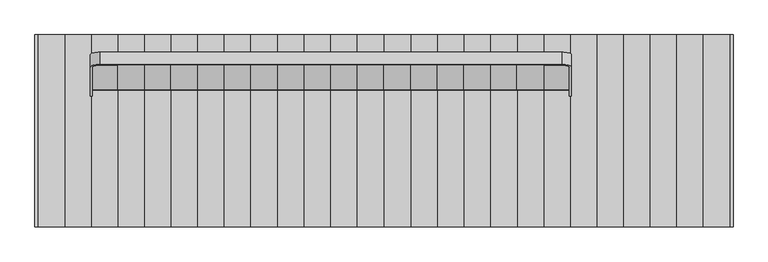
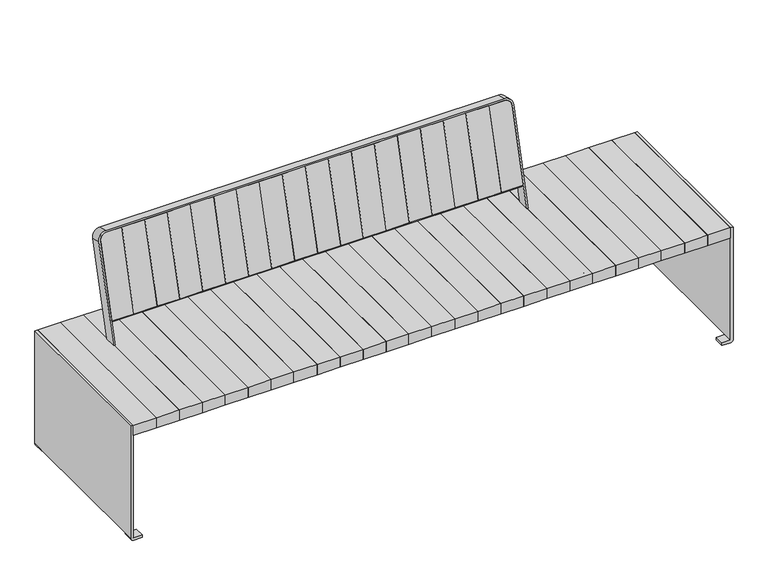
"""IFC4 building model written with IfcOpenShell, lengths in millimetres: furniture geometry."""

from ifc_helpers import new_model, si_unit, point, frame, frame_2d, origin, place, context, project, spatial, polyline, circle_curve, trimmed, segment, composite_curve, outline, extrude, source, transform, mapped, element, save
from ifc_brep_helpers import plane_surface, cylinder_surface, revolved_surface, advanced_brep


def furniture_99050796(model_context):
    return source(origin(), model_context, "Body", "SolidModel", [
        extrude(outline(polyline([(83.1700951, 300.0), (83.1700951, -300.0), (0.0, -300.0), (0.0, 300.0), (83.1700951, 300.0)])), frame((0.0, 0.0, 400.6382749), z_axis=(0.0, 0.0, 1.0), x_axis=(1.0, 0.0, 0.0)), (0.0, 0.0, 1.0), 39.120575),
        extrude(outline(polyline([(165.5884938, 300.0), (165.5884938, -300.0), (83.1700951, -300.0), (83.1700951, 300.0), (165.5884938, 300.0)])), frame((0.0, 0.0, 400.6382749), z_axis=(0.0, 0.0, 1.0), x_axis=(1.0, 0.0, 0.0)), (0.0, 0.0, 1.0), 39.120575),
        extrude(outline(polyline([(249.0266735, 300.0), (249.0266735, -300.0), (165.5884938, -300.0), (165.5884938, 300.0), (249.0266735, 300.0)])), frame((0.0, 0.0, 400.6382749), z_axis=(0.0, 0.0, 1.0), x_axis=(1.0, 0.0, 0.0)), (0.0, 0.0, 1.0), 39.120575),
        extrude(outline(polyline([(331.8102592, 300.0), (331.8102592, -300.0), (249.0266735, -300.0), (249.0266735, 300.0), (331.8102592, 300.0)])), frame((0.0, 0.0, 400.6382749), z_axis=(0.0, 0.0, 1.0), x_axis=(1.0, 0.0, 0.0)), (0.0, 0.0, 1.0), 39.120575),
        extrude(outline(polyline([(415.2051572, 300.0), (415.2051572, -300.0), (331.8102592, -300.0), (331.8102592, 300.0), (415.2051572, 300.0)])), frame((0.0, 0.0, 400.6382749), z_axis=(0.0, 0.0, 1.0), x_axis=(1.0, 0.0, 0.0)), (0.0, 0.0, 1.0), 39.120575),
        extrude(outline(polyline([(498.7851293, 300.0), (498.7851293, -300.0), (415.2051572, -300.0), (415.2051572, 300.0), (498.7851293, 300.0)])), frame((0.0, 0.0, 400.6382749), z_axis=(0.0, 0.0, 1.0), x_axis=(1.0, 0.0, 0.0)), (0.0, 0.0, 1.0), 39.120575),
        extrude(outline(polyline([(580.2051572, 300.0), (580.2051572, -300.0), (498.7851293, -300.0), (498.7851293, 300.0), (580.2051572, 300.0)])), frame((0.0, 0.0, 400.6382749), z_axis=(0.0, 0.0, 1.0), x_axis=(1.0, 0.0, 0.0)), (0.0, 0.0, 1.0), 39.120575),
        extrude(outline(polyline([(663.7851293, 300.0), (663.7851293, -300.0), (580.2051572, -300.0), (580.2051572, 300.0), (663.7851293, 300.0)])), frame((0.0, 0.0, 400.6382749), z_axis=(0.0, 0.0, 1.0), x_axis=(1.0, 0.0, 0.0)), (0.0, 0.0, 1.0), 39.120575),
        extrude(outline(polyline([(746.8041619, 300.0), (746.8041619, -300.0), (663.7851293, -300.0), (663.7851293, 300.0), (746.8041619, 300.0)])), frame((0.0, 0.0, 400.6382749), z_axis=(0.0, 0.0, 1.0), x_axis=(1.0, 0.0, 0.0)), (0.0, 0.0, 1.0), 39.120575),
        extrude(outline(polyline([(1078.85, 300.0), (1078.85, -300.0), (996.3916762, -300.0), (996.3916762, 300.0), (1078.85, 300.0)])), frame((0.0, 0.0, 400.6382749), z_axis=(0.0, 0.0, 1.0), x_axis=(1.0, 0.0, 0.0)), (0.0, 0.0, 1.0), 39.120575),
        extrude(outline(polyline([(996.3916762, 300.0), (996.3916762, -300.0), (913.1958381, -300.0), (913.1958381, 300.0), (996.3916762, 300.0)])), frame((0.0, 0.0, 400.6382749), z_axis=(0.0, 0.0, 1.0), x_axis=(1.0, 0.0, 0.0)), (0.0, 0.0, 1.0), 39.120575),
        extrude(outline(polyline([(913.1958381, 300.0), (913.1958381, -300.0), (830.0, -300.0), (830.0, 300.0), (913.1958381, 300.0)])), frame((0.0, 0.0, 400.6382749), z_axis=(0.0, 0.0, 1.0), x_axis=(1.0, 0.0, 0.0)), (0.0, 0.0, 1.0), 39.120575),
        extrude(outline(polyline([(830.0, 300.0), (830.0, -300.0), (746.8041619, -300.0), (746.8041619, 300.0), (830.0, 300.0)])), frame((0.0, 0.0, 400.6382749), z_axis=(0.0, 0.0, 1.0), x_axis=(1.0, 0.0, 0.0)), (0.0, 0.0, 1.0), 39.120575),
        extrude(outline(polyline([(-83.1700951, 300.0), (0.0, 300.0), (0.0, -300.0), (-83.1700951, -300.0), (-83.1700951, 300.0)])), frame((0.0, 0.0, 400.6382749), z_axis=(0.0, 0.0, 1.0), x_axis=(1.0, 0.0, 0.0)), (0.0, 0.0, 1.0), 39.120575),
        extrude(outline(polyline([(-165.5884938, 300.0), (-83.1700951, 300.0), (-83.1700951, -300.0), (-165.5884938, -300.0), (-165.5884938, 300.0)])), frame((0.0, 0.0, 400.6382749), z_axis=(0.0, 0.0, 1.0), x_axis=(1.0, 0.0, 0.0)), (0.0, 0.0, 1.0), 39.120575),
        extrude(outline(polyline([(-249.0266735, 300.0), (-165.5884938, 300.0), (-165.5884938, -300.0), (-249.0266735, -300.0), (-249.0266735, 300.0)])), frame((0.0, 0.0, 400.6382749), z_axis=(0.0, 0.0, 1.0), x_axis=(1.0, 0.0, 0.0)), (0.0, 0.0, 1.0), 39.120575),
        extrude(outline(polyline([(-331.8102592, 300.0), (-249.0266735, 300.0), (-249.0266735, -300.0), (-331.8102592, -300.0), (-331.8102592, 300.0)])), frame((0.0, 0.0, 400.6382749), z_axis=(0.0, 0.0, 1.0), x_axis=(1.0, 0.0, 0.0)), (0.0, 0.0, 1.0), 39.120575),
        extrude(outline(polyline([(-415.2051572, 300.0), (-331.8102592, 300.0), (-331.8102592, -300.0), (-415.2051572, -300.0), (-415.2051572, 300.0)])), frame((0.0, 0.0, 400.6382749), z_axis=(0.0, 0.0, 1.0), x_axis=(1.0, 0.0, 0.0)), (0.0, 0.0, 1.0), 39.120575),
        extrude(outline(polyline([(-498.7851293, 300.0), (-415.2051572, 300.0), (-415.2051572, -300.0), (-498.7851293, -300.0), (-498.7851293, 300.0)])), frame((0.0, 0.0, 400.6382749), z_axis=(0.0, 0.0, 1.0), x_axis=(1.0, 0.0, 0.0)), (0.0, 0.0, 1.0), 39.120575),
        extrude(outline(polyline([(-580.2051572, 300.0), (-498.7851293, 300.0), (-498.7851293, -300.0), (-580.2051572, -300.0), (-580.2051572, 300.0)])), frame((0.0, 0.0, 400.6382749), z_axis=(0.0, 0.0, 1.0), x_axis=(1.0, 0.0, 0.0)), (0.0, 0.0, 1.0), 39.120575),
        extrude(outline(polyline([(-663.7851293, 300.0), (-580.2051572, 300.0), (-580.2051572, -300.0), (-663.7851293, -300.0), (-663.7851293, 300.0)])), frame((0.0, 0.0, 400.6382749), z_axis=(0.0, 0.0, 1.0), x_axis=(1.0, 0.0, 0.0)), (0.0, 0.0, 1.0), 39.120575),
        extrude(outline(polyline([(-746.8041619, 300.0), (-663.7851293, 300.0), (-663.7851293, -300.0), (-746.8041619, -300.0), (-746.8041619, 300.0)])), frame((0.0, 0.0, 400.6382749), z_axis=(0.0, 0.0, 1.0), x_axis=(1.0, 0.0, 0.0)), (0.0, 0.0, 1.0), 39.120575),
        extrude(outline(polyline([(-1078.85, 300.0), (-996.3916762, 300.0), (-996.3916762, -300.0), (-1078.85, -300.0), (-1078.85, 300.0)])), frame((0.0, 0.0, 400.6382749), z_axis=(0.0, 0.0, 1.0), x_axis=(1.0, 0.0, 0.0)), (0.0, 0.0, 1.0), 39.120575),
        extrude(outline(polyline([(-996.3916762, 300.0), (-913.1958381, 300.0), (-913.1958381, -300.0), (-996.3916762, -300.0), (-996.3916762, 300.0)])), frame((0.0, 0.0, 400.6382749), z_axis=(0.0, 0.0, 1.0), x_axis=(1.0, 0.0, 0.0)), (0.0, 0.0, 1.0), 39.120575),
        extrude(outline(polyline([(-913.1958381, 300.0), (-830.0, 300.0), (-830.0, -300.0), (-913.1958381, -300.0), (-913.1958381, 300.0)])), frame((0.0, 0.0, 400.6382749), z_axis=(0.0, 0.0, 1.0), x_axis=(1.0, 0.0, 0.0)), (0.0, 0.0, 1.0), 39.120575),
        extrude(outline(polyline([(-830.0, 300.0), (-746.8041619, 300.0), (-746.8041619, -300.0), (-830.0, -300.0), (-830.0, 300.0)])), frame((0.0, 0.0, 400.6382749), z_axis=(0.0, 0.0, 1.0), x_axis=(1.0, 0.0, 0.0)), (0.0, 0.0, 1.0), 39.120575),
        extrude(outline(polyline([(0.0, -83.5799721), (0.0, 0.0), (39.1205751, 0.0), (39.1205751, -83.5799721), (0.0, -83.5799721)])), frame((414.2050695, 128.752528, 518.4817281), z_axis=(0.0, 0.25881904510252124, 0.9659258262890682), x_axis=(0.0, 0.9659258262890682, -0.25881904510252124)), (0.0, 0.0, 1.0), 296.0),
        extrude(outline(polyline([(0.0, -81.4200279), (0.0, 0.0), (39.1205751, 0.0), (39.1205751, -81.4200279), (0.0, -81.4200279)])), frame((332.7850416, 128.752528, 518.4817281), z_axis=(0.0, 0.25881904510252124, 0.9659258262890682), x_axis=(0.0, 0.9659258262890682, -0.25881904510252124)), (0.0, 0.0, 1.0), 296.0),
        extrude(outline(polyline([(0.0, -83.5799721), (0.0, 0.0), (39.1205751, 0.0), (39.1205751, -83.5799721), (0.0, -83.5799721)])), frame((249.2050695, 128.752528, 518.4817281), z_axis=(0.0, 0.25881904510252124, 0.9659258262890682), x_axis=(0.0, 0.9659258262890682, -0.25881904510252124)), (0.0, 0.0, 1.0), 296.0),
        extrude(outline(polyline([(0.0, -83.394898), (0.0, 0.0), (39.1205751, 0.0), (39.1205751, -83.394898), (0.0, -83.394898)])), frame((165.8101715, 128.752528, 518.4817281), z_axis=(0.0, 0.25881904510252124, 0.9659258262890682), x_axis=(0.0, 0.9659258262890682, -0.25881904510252124)), (0.0, 0.0, 1.0), 296.0),
        extrude(outline(polyline([(0.0, -82.7835857), (0.0, 0.0), (39.1205751, 0.0), (39.1205751, -82.7835857), (0.0, -82.7835857)])), frame((83.0265858, 128.752528, 518.4817281), z_axis=(0.0, 0.25881904510252124, 0.9659258262890682), x_axis=(0.0, 0.9659258262890682, -0.25881904510252124)), (0.0, 0.0, 1.0), 296.0),
        extrude(outline(polyline([(0.0, -83.4381797), (0.0, 0.0), (39.1205751, 0.0), (39.1205751, -83.4381797), (0.0, -83.4381797)])), frame((-0.4115939, 128.752528, 518.4817281), z_axis=(0.0, 0.25881904510252124, 0.9659258262890682), x_axis=(0.0, 0.9659258262890682, -0.25881904510252124)), (0.0, 0.0, 1.0), 296.0),
        extrude(outline(polyline([(0.0, -82.4183987), (0.0, 0.0), (39.1205751, 0.0), (39.1205751, -82.4183987), (0.0, -82.4183987)])), frame((-82.8299926, 128.752528, 518.4817281), z_axis=(0.0, 0.25881904510252124, 0.9659258262890682), x_axis=(0.0, 0.9659258262890682, -0.25881904510252124)), (0.0, 0.0, 1.0), 296.0),
        extrude(outline(polyline([(0.0, -83.1700951), (0.0, 0.0), (39.1205751, 0.0), (39.1205751, -83.1700951), (0.0, -83.1700951)])), frame((-166.0000877, 128.752528, 518.4817281), z_axis=(0.0, 0.25881904510252124, 0.9659258262890682), x_axis=(0.0, 0.9659258262890682, -0.25881904510252124)), (0.0, 0.0, 1.0), 296.0),
        extrude(outline(polyline([(0.0, -83.1700951), (0.0, 0.0), (39.1205751, 0.0), (39.1205751, -83.1700951), (0.0, -83.1700951)])), frame((-249.1701828, 128.752528, 518.4817281), z_axis=(0.0, 0.25881904510252124, 0.9659258262890682), x_axis=(0.0, 0.9659258262890682, -0.25881904510252124)), (0.0, 0.0, 1.0), 296.0),
        extrude(outline(polyline([(0.0, -82.4183987), (0.0, 0.0), (39.1205751, 0.0), (39.1205751, -82.4183987), (0.0, -82.4183987)])), frame((-331.5885815, 128.752528, 518.4817281), z_axis=(0.0, 0.25881904510252124, 0.9659258262890682), x_axis=(0.0, 0.9659258262890682, -0.25881904510252124)), (0.0, 0.0, 1.0), 296.0),
        extrude(outline(polyline([(0.0, -83.4381797), (0.0, 0.0), (39.1205751, 0.0), (39.1205751, -83.4381797), (0.0, -83.4381797)])), frame((-415.0267612, 128.752528, 518.4817281), z_axis=(0.0, 0.25881904510252124, 0.9659258262890682), x_axis=(0.0, 0.9659258262890682, -0.25881904510252124)), (0.0, 0.0, 1.0), 296.0),
        extrude(outline(polyline([(0.0, -82.7835857), (0.0, 0.0), (39.1205751, 0.0), (39.1205751, -82.7835857), (0.0, -82.7835857)])), frame((-497.8103469, 128.752528, 518.4817281), z_axis=(0.0, 0.25881904510252124, 0.9659258262890682), x_axis=(0.0, 0.9659258262890682, -0.25881904510252124)), (0.0, 0.0, 1.0), 296.0),
        extrude(outline(polyline([(0.0, -83.394898), (0.0, 0.0), (39.1205751, 0.0), (39.1205751, -83.394898), (0.0, -83.394898)])), frame((-581.2052449, 128.752528, 518.4817281), z_axis=(0.0, 0.25881904510252124, 0.9659258262890682), x_axis=(0.0, 0.9659258262890682, -0.25881904510252124)), (0.0, 0.0, 1.0), 296.0),
        extrude(outline(polyline([(0.0, -83.5799721), (0.0, 0.0), (39.1205751, 0.0), (39.1205751, -83.5799721), (0.0, -83.5799721)])), frame((-664.785217, 128.752528, 518.4817281), z_axis=(0.0, 0.2588190451025194, 0.9659258262890688), x_axis=(0.0, 0.9659258262890688, -0.2588190451025194)), (0.0, 0.0, 1.0), 296.0),
        extrude(outline(polyline([(0.0, -81.4200279), (0.0, 0.0), (39.1205751, 0.0), (39.1205751, -81.4200279), (0.0, -81.4200279)])), frame((-746.2052449, 128.752528, 518.4817281), z_axis=(0.0, 0.2588190451025194, 0.9659258262890688), x_axis=(0.0, 0.9659258262890688, -0.2588190451025194)), (0.0, 0.0, 1.0), 296.0),
        extrude(outline(polyline([(0.0, -83.5799721), (0.0, 0.0), (39.1205751, 0.0), (39.1205751, -83.5799721), (0.0, -83.5799721)])), frame((-829.785217, 128.752528, 518.4817281), z_axis=(0.0, 0.2588190451025194, 0.9659258262890688), x_axis=(0.0, 0.9659258262890688, -0.2588190451025194)), (0.0, 0.0, 1.0), 296.0),
        extrude(outline(composite_curve([segment(polyline([(0.9998586, 0.0), (0.9998586, -20.0)]), True, "CONTINUOUS"), segment(trimmed(circle_curve(frame_2d((-24.0001414, -20.0)), 25.0), [point((0.9998586, -20.0))], [point((-24.0001414, -45.0))], False, "CARTESIAN"), True, "CONTINUOUS"), segment(polyline([(-24.0001414, -45.0), (-1462.0, -45.0)]), True, "CONTINUOUS"), segment(trimmed(circle_curve(frame_2d((-1462.0, -20.0)), 25.0), [point((-1462.0, -45.0))], [point((-1487.0, -20.0))], False, "CARTESIAN"), True, "CONTINUOUS"), segment(polyline([(-1487.0, -20.0), (-1487.0, 0.0), (0.9998586, 0.0)]), True, "CONTINUOUS")], self_intersect=False)), frame((-909.0001584, 232.3531414, 750.5763487), z_axis=(0.0, -0.9659258262890719, 0.25881904510250753), x_axis=(-1.0, 0.0, 0.0)), (0.0, 0.0, 1.0), 3.0),
        advanced_brep(
        [(-910.000017, 107.0117282, 437.3439587), (-910.000017, 102.1820991, 433.6380539), (-910.000017, -235.5529159, 433.6380539), (-910.000017, -245.5529159, 423.6380539), (-910.000017, -245.5529159, 411.6380539), (-910.000017, -235.5529159, 401.6380539), (-910.000017, 119.6722324, 401.6380539), (-910.000017, 143.820378, 420.1675778), (-910.000017, 237.5295223, 769.8948652), (-910.000017, 198.8924892, 780.247627), (-916.000017, 143.820378, 420.1675778), (-916.000017, 119.6722324, 401.6380539), (-916.000017, -235.5529159, 401.6380539), (-916.000017, -245.5529159, 411.6380539), (-916.000017, -245.5529159, 423.6380539), (-916.000017, -235.5529159, 433.6380539), (-916.000017, 102.1820991, 433.6380539), (-916.000017, 107.0117282, 437.3439587), (-916.000017, 199.1513083, 781.2135528), (-916.000017, 237.7883413, 770.860791), (-885.000017, 205.3629654, 804.3957727), (552.9998416, 205.3629654, 804.3957727), (577.9998416, 198.8924892, 780.247627), (577.9998416, 107.0117282, 437.3439587), (583.9998416, 107.0117282, 437.3439587), (583.9998416, 199.1513083, 781.2135528), (553.9998416, 206.9158796, 810.1913276), (-886.000017, 206.9158796, 810.1913276), (-886.000017, 245.5529127, 799.8385658), (553.9998416, 245.5529127, 799.8385658), (583.9998416, 237.7883413, 770.860791), (583.9998416, 143.820378, 420.1675778), (577.9998416, 143.820378, 420.1675778), (577.9998416, 237.5295223, 769.8948652), (552.9998416, 243.9999984, 794.0430109), (-885.000017, 243.9999984, 794.0430109), (577.9998416, 119.6722324, 401.6380539), (577.9998416, -235.5529159, 401.6380539), (577.9998416, -245.5529159, 411.6380539), (577.9998416, -245.5529159, 423.6380539), (577.9998416, -235.5529159, 433.6380539), (577.9998416, 102.1820991, 433.6380539), (583.9998416, 102.1820991, 433.6380539), (583.9998416, -235.5529159, 433.6380539), (583.9998416, -245.5529159, 423.6380539), (583.9998416, -245.5529159, 411.6380539), (583.9998416, -235.5529159, 401.6380539), (583.9998416, 119.6722324, 401.6380539)],
        [
            (0, 1, circle_curve(frame((-910.000017, 102.1820991, 438.6380539), z_axis=(-1.0, 0.0, 0.0), x_axis=(0.0, 0.0, -1.0)), 5.0)),
            (1, 2),
            (2, 3, circle_curve(frame((-910.000017, -235.5529159, 423.6380539), z_axis=(1.0, 0.0, 0.0), x_axis=(0.0, -1.0, 0.0)), 10.0)),
            (3, 4),
            (4, 5, circle_curve(frame((-910.000017, -235.5529159, 411.6380539), z_axis=(1.0, 0.0, 0.0), x_axis=(0.0, -1.0, 0.0)), 10.0)),
            (5, 6),
            (6, 7, circle_curve(frame((-910.000017, 119.6722324, 426.6380539), z_axis=(1.0, 0.0, 0.0), x_axis=(0.0, 0.0, -1.0)), 25.0)),
            (7, 8),
            (8, 9),
            (9, 0),
            (10, 11, circle_curve(frame((-916.000017, 119.6722324, 426.6380539), z_axis=(-1.0, 0.0, 0.0), x_axis=(0.0, 0.0, -1.0)), 25.0)),
            (11, 12),
            (12, 13, circle_curve(frame((-916.000017, -235.5529159, 411.6380539), z_axis=(-1.0, 0.0, 0.0), x_axis=(0.0, -1.0, 0.0)), 10.0)),
            (13, 14),
            (14, 15, circle_curve(frame((-916.000017, -235.5529159, 423.6380539), z_axis=(-1.0, 0.0, 0.0), x_axis=(0.0, -1.0, 0.0)), 10.0)),
            (15, 16),
            (16, 17, circle_curve(frame((-916.000017, 102.1820991, 438.6380539), z_axis=(1.0, 0.0, 0.0), x_axis=(0.0, 0.0, -1.0)), 5.0)),
            (17, 18),
            (18, 19),
            (19, 10),
            (17, 0),
            (9, 20, circle_curve(frame((-885.000017, 198.8924892, 780.247627), z_axis=(0.0, 0.9659258262890719, -0.25881904510250753), x_axis=(0.0, -0.25881904510250753, -0.9659258262890719)), 25.0)),
            (20, 21),
            (21, 22, circle_curve(frame((552.9998416, 198.8924892, 780.247627), z_axis=(0.0, 0.9659258262890719, -0.25881904510250753), x_axis=(0.0, -0.25881904510250753, -0.9659258262890719)), 25.0)),
            (22, 23),
            (23, 24),
            (24, 25),
            (25, 26, circle_curve(frame((553.9998416, 199.1513083, 781.2135528), z_axis=(0.0, -0.9659258262890719, 0.25881904510250753), x_axis=(0.0, -0.25881904510250753, -0.9659258262890719)), 30.0)),
            (26, 27),
            (27, 18, circle_curve(frame((-886.000017, 199.1513083, 781.2135528), z_axis=(0.0, -0.9659258262890719, 0.25881904510250753), x_axis=(0.0, -0.25881904510250753, -0.9659258262890719)), 30.0)),
            (16, 1),
            (6, 11),
            (10, 7),
            (19, 28, circle_curve(frame((-886.000017, 237.7883413, 770.860791), z_axis=(0.0, 0.9659258262890719, -0.25881904510250753), x_axis=(0.0, -0.25881904510250753, -0.9659258262890719)), 30.0)),
            (28, 29),
            (29, 30, circle_curve(frame((553.9998416, 237.7883413, 770.860791), z_axis=(0.0, 0.9659258262890719, -0.25881904510250753), x_axis=(0.0, -0.25881904510250753, -0.9659258262890719)), 30.0)),
            (30, 31),
            (31, 32),
            (32, 33),
            (33, 34, circle_curve(frame((552.9998416, 237.5295223, 769.8948652), z_axis=(0.0, -0.9659258262890719, 0.25881904510250753), x_axis=(0.0, -0.25881904510250753, -0.9659258262890719)), 25.0)),
            (34, 35),
            (35, 8, circle_curve(frame((-885.000017, 237.5295223, 769.8948652), z_axis=(0.0, -0.9659258262890719, 0.25881904510250753), x_axis=(0.0, -0.25881904510250753, -0.9659258262890719)), 25.0)),
            (15, 2),
            (14, 3),
            (13, 4),
            (12, 5),
            (27, 28),
            (26, 29),
            (20, 35),
            (34, 21),
            (25, 30),
            (33, 22),
            (32, 36, circle_curve(frame((577.9998416, 119.6722324, 426.6380539), z_axis=(-1.0, 0.0, 0.0), x_axis=(0.0, 0.0, -1.0)), 25.0)),
            (36, 37),
            (37, 38, circle_curve(frame((577.9998416, -235.5529159, 411.6380539), z_axis=(-1.0, 0.0, 0.0), x_axis=(0.0, -1.0, 0.0)), 10.0)),
            (38, 39),
            (39, 40, circle_curve(frame((577.9998416, -235.5529159, 423.6380539), z_axis=(-1.0, 0.0, 0.0), x_axis=(0.0, -1.0, 0.0)), 10.0)),
            (40, 41),
            (41, 23, circle_curve(frame((577.9998416, 102.1820991, 438.6380539), z_axis=(1.0, 0.0, 0.0), x_axis=(0.0, 0.0, -1.0)), 5.0)),
            (24, 42, circle_curve(frame((583.9998416, 102.1820991, 438.6380539), z_axis=(-1.0, 0.0, 0.0), x_axis=(0.0, 0.0, -1.0)), 5.0)),
            (42, 43),
            (43, 44, circle_curve(frame((583.9998416, -235.5529159, 423.6380539), z_axis=(1.0, 0.0, 0.0), x_axis=(0.0, -1.0, 0.0)), 10.0)),
            (44, 45),
            (45, 46, circle_curve(frame((583.9998416, -235.5529159, 411.6380539), z_axis=(1.0, 0.0, 0.0), x_axis=(0.0, -1.0, 0.0)), 10.0)),
            (46, 47),
            (47, 31, circle_curve(frame((583.9998416, 119.6722324, 426.6380539), z_axis=(1.0, 0.0, 0.0), x_axis=(0.0, 0.0, -1.0)), 25.0)),
            (41, 42),
            (47, 36),
            (40, 43),
            (39, 44),
            (38, 45),
            (37, 46),
        ],
        [
            plane_surface(frame((-910.000017, 186.7279941, 734.8491132), z_axis=(1.0, 0.0, 0.0), x_axis=(0.0, -0.2588190451024944, -0.9659258262890754))),
            plane_surface(frame((-916.000017, 186.7279941, 734.8491132), z_axis=(-1.0, 0.0, 0.0), x_axis=(0.0, 0.2588190451024944, 0.9659258262890754))),
            plane_surface(frame((-910.000017, 186.7279941, 734.8491132), z_axis=(0.0, -0.9659258262890754, 0.2588190451024944), x_axis=(-1.0, 0.0, 0.0))),
            revolved_surface(polyline([(-916.000017, 102.1820991, 433.6380539), (-910.000017, 102.1820991, 433.6380539)]), (-916.000017, 102.1820991, 438.6380539), (-1.0, 0.0, 0.0)),
            cylinder_surface(frame((-916.000017, 119.6722324, 426.6380539), z_axis=(1.0, 0.0, 0.0), x_axis=(0.0, 0.0, -1.0)), 25.0),
            plane_surface(frame((-910.000017, 143.820378, 420.1675778), z_axis=(0.0, 0.9659258262890719, -0.2588190451025076), x_axis=(-1.0, 0.0, 0.0))),
            plane_surface(frame((-910.000017, 102.1820991, 433.6380539), z_axis=(0.0, 0.0, 1.0), x_axis=(-1.0, 0.0, 0.0))),
            cylinder_surface(frame((-916.000017, -235.5529159, 423.6380539), z_axis=(1.0, 0.0, 0.0), x_axis=(0.0, -1.0, 0.0)), 10.0),
            plane_surface(frame((-910.000017, -245.5529159, 423.6380539), z_axis=(0.0, -1.0, 0.0), x_axis=(-1.0, 0.0, 0.0))),
            cylinder_surface(frame((-916.000017, -235.5529159, 411.6380539), z_axis=(1.0, 0.0, 0.0), x_axis=(0.0, -1.0, 0.0)), 10.0),
            plane_surface(frame((-910.000017, -235.5529159, 401.6380539), z_axis=(0.0, 0.0, -1.0), x_axis=(-1.0, 0.0, 0.0))),
            cylinder_surface(frame((-886.000017, 199.1513083, 781.2135528), z_axis=(0.0, 0.9659258262890719, -0.25881904510250753), x_axis=(0.0, -0.25881904510250753, -0.9659258262890719)), 30.0),
            plane_surface(frame((-886.000017, 245.5529127, 799.8385658), z_axis=(0.0, 0.25881904510250764, 0.9659258262890719), x_axis=(0.0, -0.9659258262890719, 0.25881904510250764))),
            plane_surface(frame((-166.0000877, 243.9999984, 794.0430109), z_axis=(0.0, -0.25881904510250764, -0.9659258262890719), x_axis=(0.0, -0.9659258262890719, 0.25881904510250764))),
            revolved_surface(polyline([(-885.000017, 192.42201307243732, 756.0994813427732), (-885.000017, 231.05904616816755, 745.7467195268383)]), (-885.000017, 198.8924892, 780.247627), (0.0, -0.9659258262890719, 0.25881904510250753)),
            cylinder_surface(frame((553.9998416, 199.1513083, 781.2135528), z_axis=(0.0, 0.9659258262890719, -0.25881904510250753), x_axis=(0.0, -0.25881904510250753, -0.9659258262890719)), 30.0),
            revolved_surface(polyline([(552.9998416, 192.42201307243732, 756.0994813427732), (552.9998416, 231.05904616816755, 745.7467195268383)]), (552.9998416, 198.8924892, 780.247627), (0.0, -0.9659258262890719, 0.25881904510250753)),
            plane_surface(frame((577.9998416, 225.3650272, 724.4963514), z_axis=(-1.0, 0.0, 0.0), x_axis=(0.0, -0.9659258262890719, 0.25881904510250764))),
            plane_surface(frame((583.9998416, 237.7883413, 770.860791), z_axis=(1.0, 0.0, 0.0), x_axis=(0.0, -0.9659258262890719, 0.25881904510250764))),
            revolved_surface(polyline([(583.9998416, 102.1820991, 433.6380539), (577.9998416, 102.1820991, 433.6380539)]), (583.9998416, 102.1820991, 438.6380539), (1.0, 0.0, 0.0)),
            cylinder_surface(frame((583.9998416, 119.6722324, 426.6380539), z_axis=(-1.0, 0.0, 0.0), x_axis=(0.0, 0.0, -1.0)), 25.0),
            plane_surface(frame((577.9998416, -235.5529159, 433.6380539), z_axis=(0.0, 0.0, 1.0), x_axis=(1.0, 0.0, 0.0))),
            cylinder_surface(frame((583.9998416, -235.5529159, 423.6380539), z_axis=(-1.0, 0.0, 0.0), x_axis=(0.0, -1.0, 0.0)), 10.0),
            plane_surface(frame((577.9998416, -245.5529159, 411.6380539), z_axis=(0.0, -1.0, 0.0), x_axis=(1.0, 0.0, 0.0))),
            cylinder_surface(frame((583.9998416, -235.5529159, 411.6380539), z_axis=(-1.0, 0.0, 0.0), x_axis=(0.0, -1.0, 0.0)), 10.0),
            plane_surface(frame((577.9998416, 119.6722324, 401.6380539), z_axis=(0.0, 0.0, -1.0), x_axis=(1.0, 0.0, 0.0))),
        ],
        [
            (0, [[1, 2, 3, 4, 5, 6, 7, 8, 9, 10]]),
            (1, [[11, 12, 13, 14, 15, 16, 17, 18, 19, 20]]),
            (2, [[21, -10, 22, 23, 24, 25, 26, 27, 28, 29, 30, -18]]),
            (3, [[-1, -21, -17, 31]]),
            (4, [[-7, 32, -11, 33]]),
            (5, [[-33, -20, 34, 35, 36, 37, 38, 39, 40, 41, 42, -8]]),
            (6, [[-2, -31, -16, 43]]),
            (7, [[-3, -43, -15, 44]]),
            (8, [[-4, -44, -14, 45]]),
            (9, [[-5, -45, -13, 46]]),
            (10, [[-6, -46, -12, -32]]),
            (11, [[-34, -19, -30, 47]]),
            (12, [[-47, -29, 48, -35]]),
            (13, [[49, -41, 50, -23]]),
            (14, [[-42, -49, -22, -9]]),
            (15, [[-36, -48, -28, 51]]),
            (16, [[-40, 52, -24, -50]]),
            (17, [[-39, 53, 54, 55, 56, 57, 58, 59, -25, -52]]),
            (18, [[-37, -51, -27, 60, 61, 62, 63, 64, 65, 66]]),
            (19, [[-59, 67, -60, -26]]),
            (20, [[-53, -38, -66, 68]]),
            (21, [[-58, 69, -61, -67]]),
            (22, [[-57, 70, -62, -69]]),
            (23, [[-56, 71, -63, -70]]),
            (24, [[-55, 72, -64, -71]]),
            (25, [[-54, -68, -65, -72]]),
        ],
    ),
        advanced_brep(
        [(1088.85, 300.0, 10.0), (1077.85, 300.0, 0.0), (1048.0911501, 300.0, 0.0), (1048.0911501, 300.0, 10.0), (1078.85, 300.0, 10.0), (1078.85, 300.0, 439.7588499), (1088.85, 300.0, 439.7588499), (1078.85, 265.0, 10.0), (1048.0911501, 265.0, 10.0), (1048.0911501, 265.0, 0.0), (1077.85, 265.0, 0.0), (1088.85, 265.0, 10.0), (1078.85, -300.0, 10.0), (1078.85, -300.0, 439.7588499), (1078.85, -265.0, 10.0), (1088.85, -300.0, 439.7588499), (1088.85, -300.0, 10.0), (1088.85, -265.0, 10.0), (1048.0911501, -300.0, 10.0), (1048.0911501, -300.0, 0.0), (1077.85, -300.0, 0.0), (1077.85, -265.0, 0.0), (1048.0911501, -265.0, 0.0), (1048.0911501, -265.0, 10.0)],
        [
            (0, 1, circle_curve(frame((1078.8045455, 300.0, 10.0), z_axis=(0.0, 1.0, 0.0), x_axis=(1.0, 0.0, 0.0)), 10.0454545)),
            (1, 2),
            (2, 3),
            (3, 4),
            (4, 5),
            (5, 6),
            (6, 0),
            (7, 8),
            (8, 9),
            (9, 10),
            (10, 11, circle_curve(frame((1078.8045455, 265.0, 10.0), z_axis=(0.0, -1.0, 0.0), x_axis=(1.0, 0.0, 0.0)), 10.0454545)),
            (11, 7),
            (3, 8),
            (7, 4),
            (2, 9),
            (1, 10),
            (0, 11),
            (12, 13),
            (13, 5),
            (7, 14),
            (14, 12),
            (6, 15),
            (15, 16),
            (16, 17),
            (17, 11),
            (13, 15),
            (12, 18),
            (18, 19),
            (19, 20),
            (20, 16, circle_curve(frame((1078.8045455, -300.0, 10.0), z_axis=(0.0, -1.0, 0.0), x_axis=(1.0, 0.0, 0.0)), 10.0454545)),
            (17, 14),
            (17, 21, circle_curve(frame((1078.8045455, -265.0, 10.0), z_axis=(0.0, 1.0, 0.0), x_axis=(1.0, 0.0, 0.0)), 10.0454545)),
            (21, 22),
            (22, 23),
            (23, 14),
            (23, 18),
            (22, 19),
            (21, 20),
        ],
        [
            plane_surface(frame((1078.85, 300.0, 10.0), z_axis=(0.0, 1.0, 0.0), x_axis=(1.0, 0.0, 0.0))),
            plane_surface(frame((1078.85, 265.0, 10.0), z_axis=(0.0, -1.0, 0.0), x_axis=(-1.0, 0.0, 0.0))),
            plane_surface(frame((1048.0911501, 300.0, 10.0), z_axis=(0.0, 0.0, 1.0), x_axis=(0.0, -1.0, 0.0))),
            plane_surface(frame((1048.0911501, 300.0, 0.0), z_axis=(-1.0, 0.0, 0.0), x_axis=(0.0, -1.0, 0.0))),
            plane_surface(frame((1077.85, 300.0, 0.0), z_axis=(0.0, 0.0, -1.0), x_axis=(0.0, -1.0, 0.0))),
            cylinder_surface(frame((1078.8045455, 265.0, 10.0), z_axis=(0.0, 1.0, 0.0), x_axis=(1.0, 0.0, 0.0)), 10.0454545),
            plane_surface(frame((1078.85, 200.0, 10.0), z_axis=(-1.0, 0.0, 0.0), x_axis=(0.0, -1.0, 0.0))),
            plane_surface(frame((1088.85, 200.0, 10.0), z_axis=(1.0, 0.0, 0.0), x_axis=(0.0, 1.0, 0.0))),
            plane_surface(frame((1078.85, -300.0, 439.7588499), z_axis=(0.0, 0.0, 1.0), x_axis=(1.0, 0.0, 0.0))),
            plane_surface(frame((1078.85, -300.0, 10.0), z_axis=(0.0, -1.0, 0.0), x_axis=(1.0, 0.0, 0.0))),
            plane_surface(frame((1078.85, 300.0, 10.0), z_axis=(0.0, 0.0, -1.0), x_axis=(1.0, 0.0, 0.0))),
            plane_surface(frame((1048.0911501, -265.0, 10.0), z_axis=(0.0, 1.0, 0.0), x_axis=(1.0, 0.0, 0.0))),
            plane_surface(frame((1078.85, -300.0, 10.0), z_axis=(0.0, 0.0, 1.0), x_axis=(0.0, 1.0, 0.0))),
            plane_surface(frame((1048.0911501, -300.0, 10.0), z_axis=(-1.0, 0.0, 0.0), x_axis=(0.0, 1.0, 0.0))),
            plane_surface(frame((1048.0911501, -300.0, 0.0), z_axis=(0.0, 0.0, -1.0), x_axis=(0.0, 1.0, 0.0))),
            cylinder_surface(frame((1078.8045455, -265.0, 10.0), z_axis=(0.0, -1.0, 0.0), x_axis=(1.0, 0.0, 0.0)), 10.0454545),
        ],
        [
            (0, [[1, 2, 3, 4, 5, 6, 7]]),
            (1, [[8, 9, 10, 11, 12]]),
            (2, [[-4, 13, -8, 14]]),
            (3, [[-3, 15, -9, -13]]),
            (4, [[-2, 16, -10, -15]]),
            (5, [[-1, 17, -11, -16]]),
            (6, [[18, 19, -5, -14, 20, 21]]),
            (7, [[-7, 22, 23, 24, 25, -17]]),
            (8, [[-19, 26, -22, -6]]),
            (9, [[-18, 27, 28, 29, 30, -23, -26]]),
            (10, [[-12, -25, 31, -20]]),
            (11, [[32, 33, 34, 35, -31]]),
            (12, [[-27, -21, -35, 36]]),
            (13, [[-28, -36, -34, 37]]),
            (14, [[-29, -37, -33, 38]]),
            (15, [[-30, -38, -32, -24]]),
        ],
    ),
        extrude(outline(composite_curve([segment(polyline([(-25.0, -24.9999999), (-25.0, 246.0), (55.2148, 246.0), (55.2148, -50.0), (0.0, -50.0)]), True, "CONTINUOUS"), segment(trimmed(circle_curve(frame_2d((0.0, -24.9999999)), 25.0), [point((0.0, -50.0))], [point((-25.0, -24.9999999))], False, "CARTESIAN"), True, "CONTINUOUS")], self_intersect=False)), frame((552.9998416, 230.2095869, 745.9743315), z_axis=(0.0, -0.9659258262890683, 0.2588190451025209), x_axis=(-1.0, 0.0, 0.0)), (0.0, 0.0, 1.0), 39.120575),
        extrude(outline(composite_curve([segment(trimmed(circle_curve(frame_2d((0.0, -25.0)), 25.0), [point((0.0, 0.0))], [point((25.0, -25.0))], False, "CARTESIAN"), True, "CONTINUOUS"), segment(polyline([(25.0, -25.0), (25.0, -80.2148), (-271.0, -80.2148), (-271.0, 0.0), (0.0, 0.0)]), True, "CONTINUOUS")], self_intersect=False)), frame((-910.000017, 236.680063, 770.1224771), z_axis=(0.0, -0.9659258262890683, 0.2588190451025209), x_axis=(0.0, 0.2588190451025209, 0.9659258262890683)), (0.0, 0.0, 1.0), 39.120575),
        extrude(outline(composite_curve([segment(polyline([(162.7952739, 506.2541733), (127.9760709, 515.5839506), (128.752528, 518.4817281), (163.5527729, 509.1570306)]), True, "CONTINUOUS"), segment(trimmed(circle_curve(frame_2d((163.8043801, 510.0960412)), 0.9721354), [point((163.5527729, 509.1570306))], [point((164.7433907, 509.8444341))], True, "CARTESIAN"), True, "CONTINUOUS"), segment(polyline([(164.7433907, 509.8444341), (175.3621835, 549.4743081), (178.259961, 548.697851), (167.6360884, 509.0490188)]), True, "CONTINUOUS"), segment(trimmed(circle_curve(frame_2d((163.8182584, 510.0720033)), 3.9525085), [point((167.6360884, 509.0490188))], [point((162.7952739, 506.2541733))], False, "CARTESIAN"), True, "CONTINUOUS")], self_intersect=False)), frame((-910.000017, 0.0, 0.0), z_axis=(1.0, 0.0, 0.0), x_axis=(0.0, 1.0, 0.0)), (0.0, 0.0, 1.0), 1488.0),
        advanced_brep(
        [(-1078.85, 300.0, 10.0), (-1048.0911501, 300.0, 10.0), (-1048.0911501, 300.0, 0.0), (-1077.85, 300.0, 0.0), (-1088.85, 300.0, 10.0), (-1088.85, 300.0, 439.7588499), (-1078.85, 300.0, 439.7588499), (-1088.85, 265.0, 10.0), (-1077.85, 265.0, 0.0), (-1048.0911501, 265.0, 0.0), (-1048.0911501, 265.0, 10.0), (-1078.85, 265.0, 10.0), (-1078.85, -300.0, 439.7588499), (-1078.85, -300.0, 10.0), (-1078.85, -265.0, 10.0), (-1088.85, -300.0, 10.0), (-1088.85, -300.0, 439.7588499), (-1088.85, -265.0, 10.0), (-1077.85, -300.0, 0.0), (-1048.0911501, -300.0, 0.0), (-1048.0911501, -300.0, 10.0), (-1048.0911501, -265.0, 10.0), (-1048.0911501, -265.0, 0.0), (-1077.85, -265.0, 0.0)],
        [
            (0, 1),
            (1, 2),
            (2, 3),
            (3, 4, circle_curve(frame((-1078.8045455, 300.0, 10.0), z_axis=(0.0, 1.0, 0.0), x_axis=(-1.0, 0.0, 0.0)), 10.0454545)),
            (4, 5),
            (5, 6),
            (6, 0),
            (7, 8, circle_curve(frame((-1078.8045455, 265.0, 10.0), z_axis=(0.0, -1.0, 0.0), x_axis=(-1.0, 0.0, 0.0)), 10.0454545)),
            (8, 9),
            (9, 10),
            (10, 11),
            (11, 7),
            (0, 11),
            (10, 1),
            (9, 2),
            (8, 3),
            (7, 4),
            (6, 12),
            (12, 13),
            (13, 14),
            (14, 11),
            (15, 16),
            (16, 5),
            (7, 17),
            (17, 15),
            (16, 12),
            (15, 18, circle_curve(frame((-1078.8045455, -300.0, 10.0), z_axis=(0.0, -1.0, 0.0), x_axis=(-1.0, 0.0, 0.0)), 10.0454545)),
            (18, 19),
            (19, 20),
            (20, 13),
            (14, 17),
            (14, 21),
            (21, 22),
            (22, 23),
            (23, 17, circle_curve(frame((-1078.8045455, -265.0, 10.0), z_axis=(0.0, 1.0, 0.0), x_axis=(-1.0, 0.0, 0.0)), 10.0454545)),
            (20, 21),
            (19, 22),
            (18, 23),
        ],
        [
            plane_surface(frame((-1048.0911501, 300.0, 10.0), z_axis=(0.0, 1.0, 0.0), x_axis=(1.0, 0.0, 0.0))),
            plane_surface(frame((-1048.0911501, 265.0, 10.0), z_axis=(0.0, -1.0, 0.0), x_axis=(-1.0, 0.0, 0.0))),
            plane_surface(frame((-1078.85, 300.0, 10.0), z_axis=(0.0, 0.0, 1.0), x_axis=(0.0, -1.0, 0.0))),
            plane_surface(frame((-1048.0911501, 300.0, 10.0), z_axis=(1.0, 0.0, 0.0), x_axis=(0.0, -1.0, 0.0))),
            plane_surface(frame((-1048.0911501, 300.0, 0.0), z_axis=(0.0, 0.0, -1.0), x_axis=(0.0, -1.0, 0.0))),
            cylinder_surface(frame((-1078.8045455, 265.0, 10.0), z_axis=(0.0, 1.0, 0.0), x_axis=(-1.0, 0.0, 0.0)), 10.0454545),
            plane_surface(frame((-1078.85, 300.0, 11.0), z_axis=(1.0, 0.0, 0.0), x_axis=(0.0, 0.0, 1.0))),
            plane_surface(frame((-1088.85, 300.0, 11.0), z_axis=(-1.0, 0.0, 0.0), x_axis=(0.0, 0.0, -1.0))),
            plane_surface(frame((-1078.85, 300.0, 439.7588499), z_axis=(0.0, 0.0, 1.0), x_axis=(-1.0, 0.0, 0.0))),
            plane_surface(frame((-1078.85, -300.0, 439.7588499), z_axis=(0.0, -1.0, 0.0), x_axis=(-1.0, 0.0, 0.0))),
            plane_surface(frame((-1078.85, -300.0, 10.0), z_axis=(0.0, 0.0, -1.0), x_axis=(-1.0, 0.0, 0.0))),
            plane_surface(frame((-1078.85, -265.0, 10.0), z_axis=(0.0, 1.0, 0.0), x_axis=(1.0, 0.0, 0.0))),
            plane_surface(frame((-1048.0911501, -300.0, 10.0), z_axis=(0.0, 0.0, 1.0), x_axis=(0.0, 1.0, 0.0))),
            plane_surface(frame((-1048.0911501, -300.0, 0.0), z_axis=(1.0, 0.0, 0.0), x_axis=(0.0, 1.0, 0.0))),
            plane_surface(frame((-1077.85, -300.0, 0.0), z_axis=(0.0, 0.0, -1.0), x_axis=(0.0, 1.0, 0.0))),
            cylinder_surface(frame((-1078.8045455, -265.0, 10.0), z_axis=(0.0, -1.0, 0.0), x_axis=(-1.0, 0.0, 0.0)), 10.0454545),
        ],
        [
            (0, [[1, 2, 3, 4, 5, 6, 7]]),
            (1, [[8, 9, 10, 11, 12]]),
            (2, [[-1, 13, -11, 14]]),
            (3, [[-2, -14, -10, 15]]),
            (4, [[-3, -15, -9, 16]]),
            (5, [[-4, -16, -8, 17]]),
            (6, [[-7, 18, 19, 20, 21, -13]]),
            (7, [[22, 23, -5, -17, 24, 25]]),
            (8, [[-18, -6, -23, 26]]),
            (9, [[-19, -26, -22, 27, 28, 29, 30]]),
            (10, [[-12, -21, 31, -24]]),
            (11, [[32, 33, 34, 35, -31]]),
            (12, [[-30, 36, -32, -20]]),
            (13, [[-29, 37, -33, -36]]),
            (14, [[-28, 38, -34, -37]]),
            (15, [[-27, -25, -35, -38]]),
        ],
    ),
        advanced_brep(
        [(1073.85, 60.5127939, 394.6382749), (1073.85, 61.5127939, 395.6382749), (1073.85, 62.4995198, 395.6382749), (1073.85, 62.4995198, 400.6382749), (1073.85, 61.5127939, 400.6382749), (1073.85, 55.5127939, 394.6382749), (1073.85, 55.5127939, 393.1147491), (1073.85, 60.5127939, 393.1147491), (-1078.85, 55.5127939, 394.6382749), (-1078.85, 61.5127939, 400.6382749), (-1078.85, 99.9995198, 400.6382749), (-1078.85, 100.0, 347.7588499), (-1078.85, -100.0, 347.7588499), (-1078.85, -100.0, 400.6382749), (-1078.85, -61.5132741, 400.6382749), (-1078.85, -55.5132741, 394.6382749), (-1078.85, -55.5132741, 393.1147491), (-1078.85, 55.5127939, 393.1147491), (-1078.85, 62.4995198, 395.6382749), (-1078.85, 61.5127939, 395.6382749), (-1078.85, 60.5127939, 394.6382749), (-1078.85, 60.5127939, 393.1147491), (-1078.85, 62.4995198, 393.1147491), (-1078.85, -60.5132741, 394.6382749), (-1078.85, -61.5132741, 395.6382749), (-1078.85, -62.5, 395.6382749), (-1078.85, -62.5, 393.1147491), (-1078.85, -60.5132741, 393.1147491), (1073.85, 55.5127939, 340.151549), (-1073.85, 55.5127939, 340.151549), (-1073.85, 60.5127939, 340.151549), (1073.85, 60.5127939, 340.151549), (-1073.85, 55.5127939, 393.1147491), (1078.85, 62.4995198, 400.6382749), (1078.85, 99.9995198, 400.6382749), (-1073.85, 62.4995198, 395.6382749), (-1073.85, 99.9995198, 395.6382749), (1073.85, 99.9995198, 395.6382749), (-1073.85, 60.5127939, 393.1147491), (1073.85, -100.0, 347.7588499), (1078.85, -100.0, 347.7588499), (1078.85, -100.0, 400.6382749), (-1073.85, -100.0, 347.7588499), (-1073.85, -100.0, 395.6382749), (1073.85, -100.0, 395.6382749), (-1073.85, -62.5, 395.6382749), (-1073.85, -62.5, 393.1147491), (1078.85, -62.5, 400.6382749), (1078.85, -62.5, 393.1147491), (1073.85, -62.5, 393.1147491), (1073.85, -62.5, 395.6382749), (1073.85, -62.5, 400.6382749), (1073.85, -61.5132741, 400.6382749), (1073.85, -61.5132741, 395.6382749), (-1073.85, 100.0, 347.7588499), (-1073.85, 62.4995198, 393.1147491), (-1073.85, -55.5132741, 393.1147491), (-1073.85, -55.5132741, 340.151549), (-1073.85, -60.5132741, 340.151549), (-1073.85, -60.5132741, 393.1147491), (1073.85, -55.5132741, 394.6382749), (1073.85, -60.5132741, 394.6382749), (1073.85, -60.5132741, 393.1147491), (1073.85, -55.5132741, 393.1147491), (1073.85, -60.5132741, 340.151549), (1073.85, -55.5132741, 340.151549), (1078.85, 99.9995198, 347.7588499), (1073.85, 99.9995198, 347.7588499), (1073.85, 62.4995198, 393.1147491), (1078.85, 62.4995198, 393.1147491)],
        [
            (0, 1, circle_curve(frame((1073.85, 61.5127939, 394.6382749), z_axis=(-1.0, 0.0, 0.0), x_axis=(0.0, 1.0, 0.0)), 1.0)),
            (1, 2),
            (2, 3),
            (3, 4),
            (4, 5, circle_curve(frame((1073.85, 61.5127939, 394.6382749), z_axis=(1.0, 0.0, 0.0), x_axis=(0.0, 1.0, 0.0)), 6.0)),
            (5, 6),
            (6, 7),
            (7, 0),
            (8, 9, circle_curve(frame((-1078.85, 61.5127939, 394.6382749), z_axis=(-1.0, 0.0, 0.0), x_axis=(0.0, 1.0, 0.0)), 6.0)),
            (9, 10),
            (10, 11),
            (11, 12, circle_curve(frame((-1078.85, 0.0, 421.080061), z_axis=(-1.0, 0.0, 0.0), x_axis=(0.0, -0.8064516129032312, -0.5913000896717141)), 124.0)),
            (12, 13),
            (13, 14),
            (14, 15, circle_curve(frame((-1078.85, -61.5132741, 394.6382749), z_axis=(-1.0, 0.0, 0.0), x_axis=(0.0, -1.0, 0.0)), 6.0)),
            (15, 16),
            (16, 17),
            (17, 8),
            (18, 19),
            (19, 20, circle_curve(frame((-1078.85, 61.5127939, 394.6382749), z_axis=(1.0, 0.0, 0.0), x_axis=(0.0, 1.0, 0.0)), 1.0)),
            (20, 21),
            (21, 22),
            (22, 18),
            (23, 24, circle_curve(frame((-1078.85, -61.5132741, 394.6382749), z_axis=(1.0, 0.0, 0.0), x_axis=(0.0, -1.0, 0.0)), 1.0)),
            (24, 25),
            (25, 26),
            (26, 27),
            (27, 23),
            (28, 29),
            (29, 30),
            (30, 31),
            (31, 28),
            (5, 8),
            (17, 32),
            (32, 29),
            (28, 6),
            (4, 9),
            (3, 33),
            (33, 34),
            (34, 10),
            (1, 19),
            (18, 35),
            (35, 36),
            (36, 37),
            (37, 2),
            (0, 20),
            (7, 31),
            (30, 38),
            (38, 21),
            (39, 40),
            (40, 41),
            (41, 13),
            (12, 42),
            (42, 43),
            (43, 44),
            (44, 39),
            (45, 46),
            (46, 26),
            (25, 45),
            (47, 48),
            (48, 49),
            (49, 50),
            (50, 51),
            (51, 47),
            (41, 47),
            (51, 52),
            (52, 14),
            (43, 45),
            (24, 53),
            (53, 50),
            (50, 44),
            (42, 54, circle_curve(frame((-1073.85, 0.0, 421.080061), z_axis=(1.0, 0.0, 0.0), x_axis=(0.0, -0.8064516129032312, -0.5913000896717141)), 124.0)),
            (54, 36),
            (35, 55),
            (55, 38),
            (32, 56),
            (56, 57),
            (57, 58),
            (58, 59),
            (59, 46),
            (60, 52, circle_curve(frame((1073.85, -61.5132741, 394.6382749), z_axis=(1.0, 0.0, 0.0), x_axis=(0.0, -1.0, 0.0)), 6.0)),
            (53, 61, circle_curve(frame((1073.85, -61.5132741, 394.6382749), z_axis=(-1.0, 0.0, 0.0), x_axis=(0.0, -1.0, 0.0)), 1.0)),
            (61, 62),
            (62, 63),
            (63, 60),
            (64, 58),
            (57, 65),
            (65, 64),
            (15, 60),
            (63, 65),
            (56, 16),
            (23, 61),
            (27, 59),
            (64, 62),
            (54, 11),
            (34, 66),
            (66, 67),
            (67, 37),
            (22, 55),
            (2, 68),
            (68, 69),
            (69, 33),
            (49, 62),
            (63, 6),
            (7, 68),
            (67, 39, circle_curve(frame((1073.85, 0.0, 421.080061), z_axis=(-1.0, 0.0, 0.0), x_axis=(0.0, -0.8064516129032312, -0.5913000896717141)), 124.0)),
            (40, 66, circle_curve(frame((1078.85, 0.0, 421.080061), z_axis=(1.0, 0.0, 0.0), x_axis=(0.0, -0.8064516129032312, -0.5913000896717141)), 124.0)),
            (69, 48),
        ],
        [
            plane_surface(frame((1073.85, 60.5127939, 394.6382749), z_axis=(1.0, 0.0, 0.0), x_axis=(0.0, 0.0, 1.0))),
            plane_surface(frame((-1078.85, 60.5127939, 394.6382749), z_axis=(-1.0, 0.0, 0.0), x_axis=(0.0, 0.0, -1.0))),
            plane_surface(frame((1073.85, 55.5127939, 340.151549), z_axis=(0.0, 0.0, -1.0), x_axis=(-1.0, 0.0, 0.0))),
            plane_surface(frame((1073.85, 55.5127939, 394.6382749), z_axis=(0.0, -1.0, 0.0), x_axis=(-1.0, 0.0, 0.0))),
            cylinder_surface(frame((-1078.85, 61.5127939, 394.6382749), z_axis=(1.0, 0.0, 0.0), x_axis=(0.0, 1.0, 0.0)), 6.0),
            plane_surface(frame((1073.85, 62.4995198, 400.6382749), z_axis=(0.0, 0.0, 1.0), x_axis=(-1.0, 0.0, 0.0))),
            plane_surface(frame((1073.85, 61.5127939, 395.6382749), z_axis=(0.0, 0.0, -1.0), x_axis=(-1.0, 0.0, 0.0))),
            revolved_surface(polyline([(-1078.85, 62.5127939, 394.6382749), (1073.85, 62.5127939, 394.6382749)]), (-1078.85, 61.5127939, 394.6382749), (-1.0, 0.0, 0.0)),
            plane_surface(frame((1073.85, 60.5127939, 340.151549), z_axis=(0.0, 1.0, 0.0), x_axis=(-1.0, 0.0, 0.0))),
            plane_surface(frame((1073.85, -100.0, 393.1147491), z_axis=(0.0, -1.0, 0.0), x_axis=(0.0, 0.0, -1.0))),
            plane_surface(frame((1073.85, -62.5, 393.1147491), z_axis=(0.0, 1.0, 0.0), x_axis=(0.0, 0.0, 1.0))),
            plane_surface(frame((1078.85, -100.0, 400.6382749), z_axis=(0.0, 0.0, 1.0), x_axis=(0.0, 1.0, 0.0))),
            plane_surface(frame((-1073.85, -100.0, 395.6382749), z_axis=(0.0, 0.0, -1.0), x_axis=(0.0, 1.0, 0.0))),
            plane_surface(frame((-1073.85, -100.0, 393.1147491), z_axis=(1.0, 0.0, 0.0), x_axis=(0.0, 1.0, 0.0))),
            plane_surface(frame((1073.85, -60.5132741, 340.151549), z_axis=(1.0, 0.0, 0.0), x_axis=(0.0, 1.0, 0.0))),
            plane_surface(frame((1073.85, -60.5132741, 340.151549), z_axis=(0.0, 0.0, -1.0), x_axis=(-1.0, 0.0, 0.0))),
            plane_surface(frame((1073.85, -55.5132741, 340.151549), z_axis=(0.0, 1.0, 0.0), x_axis=(-1.0, 0.0, 0.0))),
            cylinder_surface(frame((-1078.85, -61.5132741, 394.6382749), z_axis=(1.0, 0.0, 0.0), x_axis=(0.0, -1.0, 0.0)), 6.0),
            revolved_surface(polyline([(-1078.85, -62.5132741, 394.6382749), (1073.85, -62.5132741, 394.6382749)]), (-1078.85, -61.5132741, 394.6382749), (-1.0, 0.0, 0.0)),
            plane_surface(frame((1073.85, -60.5132741, 394.6382749), z_axis=(0.0, -1.0, 0.0), x_axis=(-1.0, 0.0, 0.0))),
            plane_surface(frame((-825.879425, 99.9995198, 395.6382749), z_axis=(0.0, 1.0, 0.0), x_axis=(-1.0, 0.0, 0.0))),
            plane_surface(frame((-825.879425, 62.4995198, 395.6382749), z_axis=(0.0, -1.0, 0.0), x_axis=(1.0, 0.0, 0.0))),
            plane_surface(frame((-1073.85, 100.0, 393.1147491), z_axis=(0.0, 0.0, 1.0), x_axis=(-1.0, 0.0, 0.0))),
            cylinder_surface(frame((-1078.85, 0.0, 421.080061), z_axis=(1.0000000000000002, 0.0, 0.0), x_axis=(0.0, -0.8064516129032312, -0.5913000896717141)), 124.0),
            plane_surface(frame((1073.85, -100.0, 395.6382749), z_axis=(-1.0, 0.0, 0.0), x_axis=(0.0, 1.0, 0.0))),
            plane_surface(frame((1078.85, -100.0, 393.1147491), z_axis=(1.0, 0.0, 0.0), x_axis=(0.0, 1.0, 0.0))),
            plane_surface(frame((1073.85, -100.0, 393.1147491), z_axis=(0.0, 0.0, 1.0), x_axis=(1.0, 0.0, 0.0))),
            cylinder_surface(frame((1078.85, 0.0, 421.080061), z_axis=(-1.0000000000000002, 0.0, 0.0), x_axis=(0.0, -0.8064516129032312, -0.5913000896717141)), 124.0),
        ],
        [
            (0, [[1, 2, 3, 4, 5, 6, 7, 8]]),
            (1, [[9, 10, 11, 12, 13, 14, 15, 16, 17, 18], [19, 20, 21, 22, 23], [24, 25, 26, 27, 28]]),
            (2, [[29, 30, 31, 32]]),
            (3, [[33, -18, 34, 35, -29, 36, -6]]),
            (4, [[-5, 37, -9, -33]]),
            (5, [[-4, 38, 39, 40, -10, -37]]),
            (6, [[-2, 41, -19, 42, 43, 44, 45]]),
            (7, [[-1, 46, -20, -41]]),
            (8, [[-46, -8, 47, -31, 48, 49, -21]]),
            (9, [[50, 51, 52, -13, 53, 54, 55, 56]]),
            (10, [[57, 58, -26, 59]]),
            (10, [[60, 61, 62, 63, 64]]),
            (11, [[-52, 65, -64, 66, 67, -14]]),
            (12, [[-55, 68, -59, -25, 69, 70, 71]]),
            (13, [[-57, -68, -54, 72, 73, -43, 74, 75, -48, -30, -35, 76, 77, 78, 79, 80]]),
            (14, [[81, -66, -63, -70, 82, 83, 84, 85]]),
            (15, [[86, -78, 87, 88]]),
            (16, [[89, -85, 90, -87, -77, 91, -16]]),
            (17, [[-81, -89, -15, -67]]),
            (18, [[-82, -69, -24, 92]]),
            (19, [[-92, -28, 93, -79, -86, 94, -83]]),
            (20, [[-44, -73, 95, -11, -40, 96, 97, 98]]),
            (21, [[-74, -42, -23, 99]]),
            (21, [[100, 101, 102, -38, -3]]),
            (22, [[-17, -91, -76, -34]]),
            (22, [[-22, -49, -75, -99]]),
            (22, [[-27, -58, -80, -93]]),
            (23, [[-72, -53, -12, -95]]),
            (24, [[-56, -71, -62, 103, -94, -88, -90, 104, -36, -32, -47, 105, -100, -45, -98, 106]]),
            (25, [[-51, 107, -96, -39, -102, 108, -60, -65]]),
            (26, [[-104, -84, -103, -61, -108, -101, -105, -7]]),
            (27, [[-106, -97, -107, -50]]),
        ],
    ),
    ])


if __name__ == "__main__":
    model = new_model("IFC4")
    model_context = context("Model", 3, world=origin())
    ifc_project = project(units=[si_unit("LENGTHUNIT", "METRE", prefix="MILLI")], contexts=[model_context])
    site = spatial("IfcSite", under=ifc_project)
    building = spatial("IfcBuilding", under=site)
    placement = place(None, origin())
    furniture_shape = furniture_99050796(model_context)
    element("IfcFurniture", 1, at=placement, inside=building, context=model_context, shape_type="MappedRepresentation", body=[
        mapped(furniture_shape, transform((0.0, 0.0, 0.0), x_axis=(1.0, 0.0, 0.0), y_axis=(0.0, 1.0, 0.0), z_axis=(0.0, 0.0, 1.0))),
    ])
    save(model, "model.ifc")
